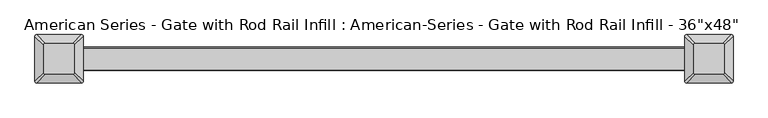
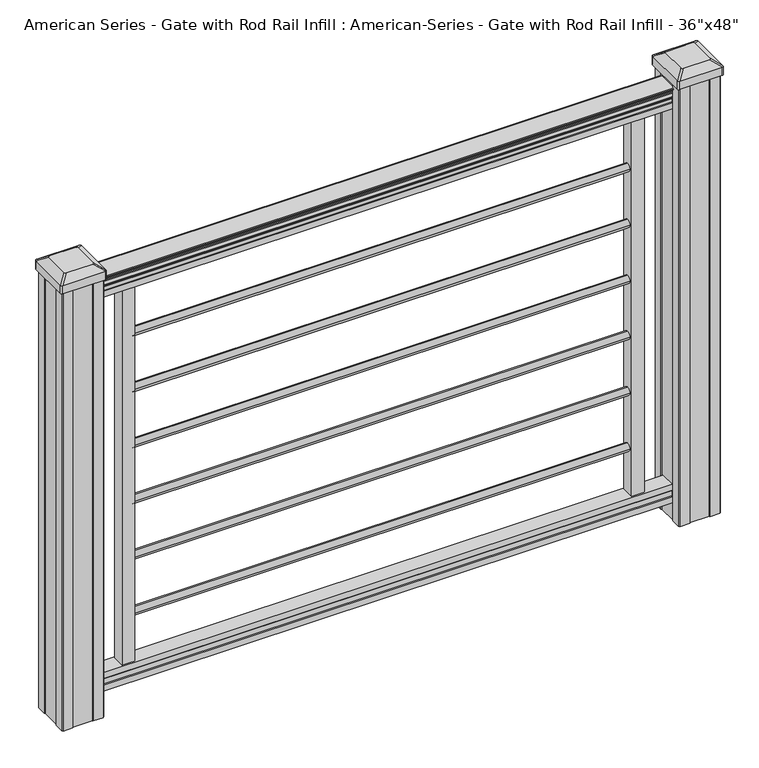
"""IFC4 building model written with IfcOpenShell, lengths in millimetres: proxy geometry."""

from ifc_helpers import new_model, si_unit, point, frame, frame_2d, origin, place, context, project, spatial, polyline, circle_curve, trimmed, segment, composite_curve, outline, extrude, source, transform, mapped, element, save
from ifc_brep_helpers import plane_surface, extruded_surface, advanced_brep


def proxy_48d24343(model_context):
    return source(origin(), model_context, "Body", "SolidModel", [
        extrude(outline(composite_curve([segment(trimmed(circle_curve(frame_2d((0.0, 782.1888781)), 8.001), [point((8.001, 782.1888781))], [point((0.0, 774.1878781))], False, "CARTESIAN"), True, "CONTINUOUS"), segment(trimmed(circle_curve(frame_2d((0.0, 782.1888781)), 8.001), [point((0.0, 774.1878781))], [point((-8.001, 782.1888781))], False, "CARTESIAN"), True, "CONTINUOUS"), segment(trimmed(circle_curve(frame_2d((0.0, 782.1888781)), 8.001), [point((-8.001, 782.1888781))], [point((0.0, 790.1898781))], False, "CARTESIAN"), True, "CONTINUOUS"), segment(trimmed(circle_curve(frame_2d((0.0, 782.1888781)), 8.001), [point((0.0, 790.1898781))], [point((8.001, 782.1888781))], False, "CARTESIAN"), True, "CONTINUOUS")], self_intersect=False)), frame((-490.728, 0.0, 0.0), z_axis=(1.0, 0.0, 0.0), x_axis=(0.0, 1.0, 0.0)), (0.0, 0.0, 1.0), 981.456),
        extrude(outline(composite_curve([segment(trimmed(circle_curve(frame_2d((0.0, 665.3488781)), 8.001), [point((8.001, 665.3488781))], [point((0.0, 657.3478781))], False, "CARTESIAN"), True, "CONTINUOUS"), segment(trimmed(circle_curve(frame_2d((0.0, 665.3488781)), 8.001), [point((0.0, 657.3478781))], [point((-8.001, 665.3488781))], False, "CARTESIAN"), True, "CONTINUOUS"), segment(trimmed(circle_curve(frame_2d((0.0, 665.3488781)), 8.001), [point((-8.001, 665.3488781))], [point((0.0, 673.3498781))], False, "CARTESIAN"), True, "CONTINUOUS"), segment(trimmed(circle_curve(frame_2d((0.0, 665.3488781)), 8.001), [point((0.0, 673.3498781))], [point((8.001, 665.3488781))], False, "CARTESIAN"), True, "CONTINUOUS")], self_intersect=False)), frame((-490.728, 0.0, 0.0), z_axis=(1.0, 0.0, 0.0), x_axis=(0.0, 1.0, 0.0)), (0.0, 0.0, 1.0), 981.456),
        extrude(outline(composite_curve([segment(trimmed(circle_curve(frame_2d((0.0, 548.5088781)), 8.001), [point((8.001, 548.5088781))], [point((0.0, 540.5078781))], False, "CARTESIAN"), True, "CONTINUOUS"), segment(trimmed(circle_curve(frame_2d((0.0, 548.5088781)), 8.001), [point((0.0, 540.5078781))], [point((-8.001, 548.5088781))], False, "CARTESIAN"), True, "CONTINUOUS"), segment(trimmed(circle_curve(frame_2d((0.0, 548.5088781)), 8.001), [point((-8.001, 548.5088781))], [point((0.0, 556.5098781))], False, "CARTESIAN"), True, "CONTINUOUS"), segment(trimmed(circle_curve(frame_2d((0.0, 548.5088781)), 8.001), [point((0.0, 556.5098781))], [point((8.001, 548.5088781))], False, "CARTESIAN"), True, "CONTINUOUS")], self_intersect=False)), frame((-490.728, 0.0, 0.0), z_axis=(1.0, 0.0, 0.0), x_axis=(0.0, 1.0, 0.0)), (0.0, 0.0, 1.0), 981.456),
        extrude(outline(composite_curve([segment(trimmed(circle_curve(frame_2d((0.0, 431.6688781)), 8.001), [point((8.001, 431.6688781))], [point((0.0, 423.6678781))], False, "CARTESIAN"), True, "CONTINUOUS"), segment(trimmed(circle_curve(frame_2d((0.0, 431.6688781)), 8.001), [point((0.0, 423.6678781))], [point((-8.001, 431.6688781))], False, "CARTESIAN"), True, "CONTINUOUS"), segment(trimmed(circle_curve(frame_2d((0.0, 431.6688781)), 8.001), [point((-8.001, 431.6688781))], [point((0.0, 439.6698781))], False, "CARTESIAN"), True, "CONTINUOUS"), segment(trimmed(circle_curve(frame_2d((0.0, 431.6688781)), 8.001), [point((0.0, 439.6698781))], [point((8.001, 431.6688781))], False, "CARTESIAN"), True, "CONTINUOUS")], self_intersect=False)), frame((-490.728, 0.0, 0.0), z_axis=(1.0, 0.0, 0.0), x_axis=(0.0, 1.0, 0.0)), (0.0, 0.0, 1.0), 981.456),
        extrude(outline(composite_curve([segment(trimmed(circle_curve(frame_2d((0.0, 314.8288781)), 8.001), [point((8.001, 314.8288781))], [point((0.0, 306.8278781))], False, "CARTESIAN"), True, "CONTINUOUS"), segment(trimmed(circle_curve(frame_2d((0.0, 314.8288781)), 8.001), [point((0.0, 306.8278781))], [point((-8.001, 314.8288781))], False, "CARTESIAN"), True, "CONTINUOUS"), segment(trimmed(circle_curve(frame_2d((0.0, 314.8288781)), 8.001), [point((-8.001, 314.8288781))], [point((0.0, 322.8298781))], False, "CARTESIAN"), True, "CONTINUOUS"), segment(trimmed(circle_curve(frame_2d((0.0, 314.8288781)), 8.001), [point((0.0, 322.8298781))], [point((8.001, 314.8288781))], False, "CARTESIAN"), True, "CONTINUOUS")], self_intersect=False)), frame((-490.728, 0.0, 0.0), z_axis=(1.0, 0.0, 0.0), x_axis=(0.0, 1.0, 0.0)), (0.0, 0.0, 1.0), 981.456),
        extrude(outline(polyline([(-15.9124869, 76.0541976), (-14.8964869, 77.3546183), (-14.8964869, 87.7141717), (-15.9124869, 89.0624492), (-15.9124869, 101.5958781), (15.8375131, 101.5958781), (15.8375131, 89.0458024), (14.8215131, 87.6975248), (14.8215131, 77.3858283), (15.8375131, 76.0375508), (15.8375131, 63.5), (-15.9124869, 63.5), (-15.9124869, 76.0541976)])), frame((-569.976, 0.0, 0.0), z_axis=(1.0, 0.0, 0.0), x_axis=(0.0, 1.0, 0.0)), (0.0, 0.0, 1.0), 1139.952),
        extrude(outline(composite_curve([segment(polyline([(910.082, 17.4328287), (911.9700823, 17.4328287)]), True, "CONTINUOUS"), segment(trimmed(circle_curve(frame_2d((917.7283086, 11.1180755)), 8.545951), [point((911.9700823, 17.4328287))], [point((913.5323398, 18.563015))], False, "CARTESIAN"), True, "CONTINUOUS"), segment(trimmed(circle_curve(frame_2d((917.141328, 11.5551384)), 7.882584), [point((913.5323398, 18.563015))], [point((920.7503161, 18.563015))], False, "CARTESIAN"), True, "CONTINUOUS"), segment(trimmed(circle_curve(frame_2d((922.988923, 22.0684625)), 4.1592695), [point((920.7503161, 18.563015))], [point((923.1837515, 17.9137586))], True, "CARTESIAN"), True, "CONTINUOUS"), segment(trimmed(circle_curve(frame_2d((922.9285567, 23.3557691)), 5.4479907), [point((923.1837515, 17.9137586))], [point((927.5138786, 20.4137586))], True, "CARTESIAN"), True, "CONTINUOUS"), segment(trimmed(circle_curve(frame_2d((927.5110653, 22.1226107)), 1.7088543), [point((927.5138786, 20.4137586))], [point((929.1934675, 21.8231011))], True, "CARTESIAN"), True, "CONTINUOUS"), segment(trimmed(circle_curve(frame_2d((930.2982021, 20.5057106)), 1.7192895), [point((929.1934675, 21.8231011))], [point((930.2982021, 22.2250001))], False, "CARTESIAN"), True, "CONTINUOUS"), segment(polyline([(930.2982021, 22.2250001), (931.6384861, 22.225)]), True, "CONTINUOUS"), segment(trimmed(circle_curve(frame_2d((931.6384861, 20.6715528)), 1.5534472), [point((931.6384861, 22.225))], [point((933.1919333, 20.6715528))], False, "CARTESIAN"), True, "CONTINUOUS"), segment(polyline([(933.1919333, 20.6715528), (933.1919333, -20.6715528)]), True, "CONTINUOUS"), segment(trimmed(circle_curve(frame_2d((931.6384861, -20.6715528)), 1.5534472), [point((933.1919333, -20.6715528))], [point((931.6384861, -22.225))], False, "CARTESIAN"), True, "CONTINUOUS"), segment(polyline([(931.6384861, -22.225), (930.2982021, -22.225)]), True, "CONTINUOUS"), segment(trimmed(circle_curve(frame_2d((930.2982021, -20.5057106)), 1.7192895), [point((930.2982021, -22.225))], [point((929.1934675, -21.8231011))], False, "CARTESIAN"), True, "CONTINUOUS"), segment(trimmed(circle_curve(frame_2d((927.5110653, -22.1226107)), 1.7088543), [point((929.1934675, -21.8231011))], [point((927.5138786, -20.4137586))], True, "CARTESIAN"), True, "CONTINUOUS"), segment(trimmed(circle_curve(frame_2d((922.9285567, -23.3557691)), 5.4479907), [point((927.5138786, -20.4137586))], [point((923.1837515, -17.9137586))], True, "CARTESIAN"), True, "CONTINUOUS"), segment(trimmed(circle_curve(frame_2d((922.988923, -22.0684625)), 4.1592695), [point((923.1837515, -17.9137586))], [point((920.7503161, -18.563015))], True, "CARTESIAN"), True, "CONTINUOUS"), segment(trimmed(circle_curve(frame_2d((917.141328, -11.5551384)), 7.882584), [point((920.7503161, -18.563015))], [point((913.5323398, -18.563015))], False, "CARTESIAN"), True, "CONTINUOUS"), segment(trimmed(circle_curve(frame_2d((917.7283086, -11.1180755)), 8.545951), [point((913.5323398, -18.563015))], [point((911.9700823, -17.4328287))], False, "CARTESIAN"), True, "CONTINUOUS"), segment(polyline([(911.9700823, -17.4328287), (910.082, -17.4328287)]), True, "CONTINUOUS"), segment(trimmed(circle_curve(frame_2d((910.082, -16.1459144)), 1.2869144), [point((910.082, -17.4328287))], [point((910.082, -14.859))], False, "CARTESIAN"), True, "CONTINUOUS"), segment(polyline([(910.082, -14.859), (899.5824987, -14.859), (898.5664987, -15.875), (886.0776703, -15.875), (886.0776703, 15.875), (898.4086833, 15.875), (899.4246833, 14.859), (910.082, 14.859)]), True, "CONTINUOUS"), segment(trimmed(circle_curve(frame_2d((910.082, 16.1459144)), 1.2869144), [point((910.082, 14.859))], [point((910.082, 17.4328287))], False, "CARTESIAN"), True, "CONTINUOUS")], self_intersect=False)), frame((569.976, 0.0, 0.0), z_axis=(-1.0, 0.0, 0.0), x_axis=(0.0, 0.0, 1.0)), (0.0, 0.0, 1.0), 1139.952),
        extrude(outline(composite_curve([segment(trimmed(circle_curve(frame_2d((0.0, 197.9888781)), 8.001), [point((8.001, 197.9888781))], [point((0.0, 189.9878781))], False, "CARTESIAN"), True, "CONTINUOUS"), segment(trimmed(circle_curve(frame_2d((0.0, 197.9888781)), 8.001), [point((0.0, 189.9878781))], [point((-8.001, 197.9888781))], False, "CARTESIAN"), True, "CONTINUOUS"), segment(trimmed(circle_curve(frame_2d((0.0, 197.9888781)), 8.001), [point((-8.001, 197.9888781))], [point((0.0, 205.9898781))], False, "CARTESIAN"), True, "CONTINUOUS"), segment(trimmed(circle_curve(frame_2d((0.0, 197.9888781)), 8.001), [point((0.0, 205.9898781))], [point((8.001, 197.9888781))], False, "CARTESIAN"), True, "CONTINUOUS")], self_intersect=False)), frame((-490.728, 0.0, 0.0), z_axis=(1.0, 0.0, 0.0), x_axis=(0.0, 1.0, 0.0)), (0.0, 0.0, 1.0), 981.456),
        advanced_brep(
        [(583.803125, 28.971875, 973.455), (580.628125, 25.796875, 973.455), (580.628125, -25.796875, 973.455), (583.803125, -28.971875, 973.455), (635.396875, -28.971875, 973.455), (638.571875, -25.796875, 973.455), (638.571875, 25.796875, 973.455), (635.396875, 28.971875, 973.455), (567.53125, 45.24375, 962.152), (651.66875, 45.24375, 962.152), (654.84375, 42.06875, 962.152), (654.84375, -42.06875, 962.152), (651.66875, -45.24375, 962.152), (567.53125, -45.24375, 962.152), (564.35625, -42.06875, 962.152), (564.35625, 42.06875, 962.152)],
        [
            (0, 1, circle_curve(frame((583.803125, 25.796875, 973.455), z_axis=(0.0, 0.0, 1.0), x_axis=(0.0, -1.0, 0.0)), 3.175)),
            (1, 2),
            (2, 3, circle_curve(frame((583.803125, -25.796875, 973.455), z_axis=(0.0, 0.0, 1.0), x_axis=(0.0, -1.0, 0.0)), 3.175)),
            (3, 4),
            (4, 5, circle_curve(frame((635.396875, -25.796875, 973.455), z_axis=(0.0, 0.0, 1.0), x_axis=(0.0, -1.0, 0.0)), 3.175)),
            (5, 6),
            (6, 7, circle_curve(frame((635.396875, 25.796875, 973.455), z_axis=(0.0, 0.0, 1.0), x_axis=(0.0, -1.0, 0.0)), 3.175)),
            (7, 0),
            (8, 9),
            (9, 10, circle_curve(frame((651.66875, 42.06875, 962.152), z_axis=(0.0, 0.0, -1.0), x_axis=(0.0, -1.0, 0.0)), 3.175)),
            (10, 11),
            (11, 12, circle_curve(frame((651.66875, -42.06875, 962.152), z_axis=(0.0, 0.0, -1.0), x_axis=(0.0, -1.0, 0.0)), 3.175)),
            (12, 13),
            (13, 14, circle_curve(frame((567.53125, -42.06875, 962.152), z_axis=(0.0, 0.0, -1.0), x_axis=(0.0, -1.0, 0.0)), 3.175)),
            (14, 15),
            (15, 8, circle_curve(frame((567.53125, 42.06875, 962.152), z_axis=(0.0, 0.0, -1.0), x_axis=(0.0, -1.0, 0.0)), 3.175)),
            (15, 1),
            (0, 8),
            (14, 2),
            (13, 3),
            (12, 4),
            (11, 5),
            (10, 6),
            (9, 7),
        ],
        [
            plane_surface(frame((609.6, 0.0, 973.455), z_axis=(0.0, 0.0, 1.0), x_axis=(-1.0, 0.0, 0.0))),
            plane_surface(frame((609.6, 0.0, 962.152), z_axis=(0.0, 0.0, -1.0), x_axis=(-1.0, 0.0, 0.0))),
            extruded_surface(trimmed(circle_curve(frame((567.53125, 42.06875, 962.152), z_axis=(0.0, 0.0, 1.0), x_axis=(0.0, -1.0, 0.0)), 3.175), [point((567.53125, 45.24375, 962.152))], [point((564.35625, 42.06875, 962.152))], True, "CARTESIAN"), (16.271875000000023, -16.271875, 11.302999999999997), 25.637972638866177),
            plane_surface(frame((564.35625, 0.0, 962.152), z_axis=(-0.5705009161540778, 0.0, 0.8212969649690408), x_axis=(0.0, -1.0, 0.0))),
            extruded_surface(trimmed(circle_curve(frame((567.53125, -42.06875, 962.152), z_axis=(0.0, 0.0, 1.0), x_axis=(0.0, -1.0, 0.0)), 3.175), [point((564.35625, -42.06875, 962.152))], [point((567.53125, -45.24375, 962.152))], True, "CARTESIAN"), (16.271875000000023, 16.271875, 11.302999999999997), 25.637972638866177),
            plane_surface(frame((609.6, -45.24375, 962.152), z_axis=(0.0, -0.5705009161540291, 0.8212969649690747), x_axis=(1.0, 0.0, 0.0))),
            extruded_surface(trimmed(circle_curve(frame((651.66875, -42.06875, 962.152), z_axis=(0.0, 0.0, 1.0), x_axis=(0.0, -1.0, 0.0)), 3.175), [point((651.66875, -45.24375, 962.152))], [point((654.84375, -42.06875, 962.152))], True, "CARTESIAN"), (-16.271875000000023, 16.271875, 11.302999999999997), 25.637972638866177),
            plane_surface(frame((654.84375, 0.0, 962.152), z_axis=(0.5705009161540142, 0.0, 0.8212969649690851), x_axis=(0.0, 1.0, 0.0))),
            extruded_surface(trimmed(circle_curve(frame((651.66875, 42.06875, 962.152), z_axis=(0.0, 0.0, 1.0), x_axis=(0.0, -1.0, 0.0)), 3.175), [point((654.84375, 42.06875, 962.152))], [point((651.66875, 45.24375, 962.152))], True, "CARTESIAN"), (-16.271875000000023, -16.271875, 11.302999999999997), 25.637972638866177),
            plane_surface(frame((609.6, 45.24375, 962.152), z_axis=(0.0, 0.570500916154034, 0.8212969649690713), x_axis=(-1.0, 0.0, 0.0))),
        ],
        [
            (0, [[1, 2, 3, 4, 5, 6, 7, 8]]),
            (1, [[9, 10, 11, 12, 13, 14, 15, 16]]),
            (2, [[-16, 17, -1, 18]]),
            (3, [[-15, 19, -2, -17]]),
            (4, [[-14, 20, -3, -19]]),
            (5, [[-13, 21, -4, -20]]),
            (6, [[-12, 22, -5, -21]]),
            (7, [[-11, 23, -6, -22]]),
            (8, [[-10, 24, -7, -23]]),
            (9, [[-9, -18, -8, -24]]),
        ],
    ),
        extrude(outline(composite_curve([segment(polyline([(567.53125, 45.24375), (651.66875, 45.24375)]), True, "CONTINUOUS"), segment(trimmed(circle_curve(frame_2d((651.66875, 42.06875)), 3.175), [point((651.66875, 45.24375))], [point((654.84375, 42.06875))], False, "CARTESIAN"), True, "CONTINUOUS"), segment(polyline([(654.84375, 42.06875), (654.84375, -42.06875)]), True, "CONTINUOUS"), segment(trimmed(circle_curve(frame_2d((651.66875, -42.06875)), 3.175), [point((654.84375, -42.06875))], [point((651.66875, -45.24375))], False, "CARTESIAN"), True, "CONTINUOUS"), segment(polyline([(651.66875, -45.24375), (567.53125, -45.24375)]), True, "CONTINUOUS"), segment(trimmed(circle_curve(frame_2d((567.53125, -42.06875)), 3.175), [point((567.53125, -45.24375))], [point((564.35625, -42.06875))], False, "CARTESIAN"), True, "CONTINUOUS"), segment(polyline([(564.35625, -42.06875), (564.35625, 42.06875)]), True, "CONTINUOUS"), segment(trimmed(circle_curve(frame_2d((567.53125, 42.06875)), 3.175), [point((564.35625, 42.06875))], [point((567.53125, 45.24375))], False, "CARTESIAN"), True, "CONTINUOUS")], self_intersect=False)), frame((0.0, 0.0, 944.88), z_axis=(0.0, 0.0, 1.0), x_axis=(1.0, 0.0, 0.0)), (0.0, 0.0, 1.0), 17.272),
        extrude(outline(polyline([(569.9125, 41.275), (589.534, 41.275), (590.296, 39.6875), (628.904, 39.6875), (629.666, 41.275), (649.2875, 41.275), (650.875, 39.6875), (650.875, 20.066), (649.2875, 19.304), (649.2875, -19.304), (650.875, -20.066), (650.875, -39.6875), (649.2875, -41.275), (629.666, -41.275), (628.904, -39.6875), (590.296, -39.6875), (589.534, -41.275), (569.9125, -41.275), (568.325, -39.6875), (568.325, -20.066), (569.9125, -19.304), (569.9125, 19.304), (568.325, 20.066), (568.325, 39.6875), (569.9125, 41.275)])), frame((0.0, 0.0, 28.575), z_axis=(0.0, 0.0, 1.0), x_axis=(1.0, 0.0, 0.0)), (0.0, 0.0, 1.0), 916.305),
        advanced_brep(
        [(-635.396875, 28.971875, 973.455), (-638.571875, 25.796875, 973.455), (-638.571875, -25.796875, 973.455), (-635.396875, -28.971875, 973.455), (-583.803125, -28.971875, 973.455), (-580.628125, -25.796875, 973.455), (-580.628125, 25.796875, 973.455), (-583.803125, 28.971875, 973.455), (-651.66875, 45.24375, 962.152), (-567.53125, 45.24375, 962.152), (-564.35625, 42.06875, 962.152), (-564.35625, -42.06875, 962.152), (-567.53125, -45.24375, 962.152), (-651.66875, -45.24375, 962.152), (-654.84375, -42.06875, 962.152), (-654.84375, 42.06875, 962.152)],
        [
            (0, 1, circle_curve(frame((-635.396875, 25.796875, 973.455), z_axis=(0.0, 0.0, 1.0), x_axis=(0.0, -1.0, 0.0)), 3.175)),
            (1, 2),
            (2, 3, circle_curve(frame((-635.396875, -25.796875, 973.455), z_axis=(0.0, 0.0, 1.0), x_axis=(0.0, -1.0, 0.0)), 3.175)),
            (3, 4),
            (4, 5, circle_curve(frame((-583.803125, -25.796875, 973.455), z_axis=(0.0, 0.0, 1.0), x_axis=(0.0, -1.0, 0.0)), 3.175)),
            (5, 6),
            (6, 7, circle_curve(frame((-583.803125, 25.796875, 973.455), z_axis=(0.0, 0.0, 1.0), x_axis=(0.0, -1.0, 0.0)), 3.175)),
            (7, 0),
            (8, 9),
            (9, 10, circle_curve(frame((-567.53125, 42.06875, 962.152), z_axis=(0.0, 0.0, -1.0), x_axis=(0.0, -1.0, 0.0)), 3.175)),
            (10, 11),
            (11, 12, circle_curve(frame((-567.53125, -42.06875, 962.152), z_axis=(0.0, 0.0, -1.0), x_axis=(0.0, -1.0, 0.0)), 3.175)),
            (12, 13),
            (13, 14, circle_curve(frame((-651.66875, -42.06875, 962.152), z_axis=(0.0, 0.0, -1.0), x_axis=(0.0, -1.0, 0.0)), 3.175)),
            (14, 15),
            (15, 8, circle_curve(frame((-651.66875, 42.06875, 962.152), z_axis=(0.0, 0.0, -1.0), x_axis=(0.0, -1.0, 0.0)), 3.175)),
            (15, 1),
            (0, 8),
            (14, 2),
            (13, 3),
            (12, 4),
            (11, 5),
            (10, 6),
            (9, 7),
        ],
        [
            plane_surface(frame((-609.6, 0.0, 973.455), z_axis=(0.0, 0.0, 1.0), x_axis=(-1.0, 0.0, 0.0))),
            plane_surface(frame((-609.6, 0.0, 962.152), z_axis=(0.0, 0.0, -1.0), x_axis=(-1.0, 0.0, 0.0))),
            extruded_surface(trimmed(circle_curve(frame((-651.66875, 42.06875, 962.152), z_axis=(0.0, 0.0, 1.0), x_axis=(0.0, -1.0, 0.0)), 3.175), [point((-651.66875, 45.24375, 962.152))], [point((-654.84375, 42.06875, 962.152))], True, "CARTESIAN"), (16.271875000000023, -16.271875, 11.302999999999997), 25.637972638866177),
            plane_surface(frame((-654.84375, 0.0, 962.152), z_axis=(-0.5705009161540778, 0.0, 0.8212969649690408), x_axis=(0.0, -1.0, 0.0))),
            extruded_surface(trimmed(circle_curve(frame((-651.66875, -42.06875, 962.152), z_axis=(0.0, 0.0, 1.0), x_axis=(0.0, -1.0, 0.0)), 3.175), [point((-654.84375, -42.06875, 962.152))], [point((-651.66875, -45.24375, 962.152))], True, "CARTESIAN"), (16.271875000000023, 16.271875, 11.302999999999997), 25.637972638866177),
            plane_surface(frame((-609.6, -45.24375, 962.152), z_axis=(0.0, -0.5705009161540291, 0.8212969649690747), x_axis=(1.0, 0.0, 0.0))),
            extruded_surface(trimmed(circle_curve(frame((-567.53125, -42.06875, 962.152), z_axis=(0.0, 0.0, 1.0), x_axis=(0.0, -1.0, 0.0)), 3.175), [point((-567.53125, -45.24375, 962.152))], [point((-564.35625, -42.06875, 962.152))], True, "CARTESIAN"), (-16.271875000000023, 16.271875, 11.302999999999997), 25.637972638866177),
            plane_surface(frame((-564.35625, 0.0, 962.152), z_axis=(0.5705009161540142, 0.0, 0.8212969649690851), x_axis=(0.0, 1.0, 0.0))),
            extruded_surface(trimmed(circle_curve(frame((-567.53125, 42.06875, 962.152), z_axis=(0.0, 0.0, 1.0), x_axis=(0.0, -1.0, 0.0)), 3.175), [point((-564.35625, 42.06875, 962.152))], [point((-567.53125, 45.24375, 962.152))], True, "CARTESIAN"), (-16.271875000000023, -16.271875, 11.302999999999997), 25.637972638866177),
            plane_surface(frame((-609.6, 45.24375, 962.152), z_axis=(0.0, 0.570500916154034, 0.8212969649690713), x_axis=(-1.0, 0.0, 0.0))),
        ],
        [
            (0, [[1, 2, 3, 4, 5, 6, 7, 8]]),
            (1, [[9, 10, 11, 12, 13, 14, 15, 16]]),
            (2, [[-16, 17, -1, 18]]),
            (3, [[-15, 19, -2, -17]]),
            (4, [[-14, 20, -3, -19]]),
            (5, [[-13, 21, -4, -20]]),
            (6, [[-12, 22, -5, -21]]),
            (7, [[-11, 23, -6, -22]]),
            (8, [[-10, 24, -7, -23]]),
            (9, [[-9, -18, -8, -24]]),
        ],
    ),
        extrude(outline(composite_curve([segment(polyline([(-651.66875, 45.24375), (-567.53125, 45.24375)]), True, "CONTINUOUS"), segment(trimmed(circle_curve(frame_2d((-567.53125, 42.06875)), 3.175), [point((-567.53125, 45.24375))], [point((-564.35625, 42.06875))], False, "CARTESIAN"), True, "CONTINUOUS"), segment(polyline([(-564.35625, 42.06875), (-564.35625, -42.06875)]), True, "CONTINUOUS"), segment(trimmed(circle_curve(frame_2d((-567.53125, -42.06875)), 3.175), [point((-564.35625, -42.06875))], [point((-567.53125, -45.24375))], False, "CARTESIAN"), True, "CONTINUOUS"), segment(polyline([(-567.53125, -45.24375), (-651.66875, -45.24375)]), True, "CONTINUOUS"), segment(trimmed(circle_curve(frame_2d((-651.66875, -42.06875)), 3.175), [point((-651.66875, -45.24375))], [point((-654.84375, -42.06875))], False, "CARTESIAN"), True, "CONTINUOUS"), segment(polyline([(-654.84375, -42.06875), (-654.84375, 42.06875)]), True, "CONTINUOUS"), segment(trimmed(circle_curve(frame_2d((-651.66875, 42.06875)), 3.175), [point((-654.84375, 42.06875))], [point((-651.66875, 45.24375))], False, "CARTESIAN"), True, "CONTINUOUS")], self_intersect=False)), frame((0.0, 0.0, 944.88), z_axis=(0.0, 0.0, 1.0), x_axis=(1.0, 0.0, 0.0)), (0.0, 0.0, 1.0), 17.272),
        extrude(outline(polyline([(-649.2875, 41.275), (-629.666, 41.275), (-628.904, 39.6875), (-590.296, 39.6875), (-589.534, 41.275), (-569.9125, 41.275), (-568.325, 39.6875), (-568.325, 20.066), (-569.9125, 19.304), (-569.9125, -19.304), (-568.325, -20.066), (-568.325, -39.6875), (-569.9125, -41.275), (-589.534, -41.275), (-590.296, -39.6875), (-628.904, -39.6875), (-629.666, -41.275), (-649.2875, -41.275), (-650.875, -39.6875), (-650.875, -20.066), (-649.2875, -19.304), (-649.2875, 19.304), (-650.875, 20.066), (-650.875, 39.6875), (-649.2875, 41.275)])), frame((0.0, 0.0, 28.575), z_axis=(0.0, 0.0, 1.0), x_axis=(1.0, 0.0, 0.0)), (0.0, 0.0, 1.0), 916.305),
        extrude(outline(polyline([(516.128, -12.7), (490.728, -12.7), (490.728, 12.7), (516.128, 12.7), (516.128, -12.7)])), frame((0.0, 0.0, 101.6), z_axis=(0.0, 0.0, 1.0), x_axis=(1.0, 0.0, 0.0)), (0.0, 0.0, 1.0), 805.2900823),
        extrude(outline(polyline([(-490.728, -12.7), (-516.128, -12.7), (-516.128, 12.7), (-490.728, 12.7), (-490.728, -12.7)])), frame((0.0, 0.0, 101.6), z_axis=(0.0, 0.0, 1.0), x_axis=(1.0, 0.0, 0.0)), (0.0, 0.0, 1.0), 811.9323398),
    ])


if __name__ == "__main__":
    model = new_model("IFC4")
    model_context = context("Model", 3, world=origin())
    ifc_project = project(units=[si_unit("LENGTHUNIT", "METRE", prefix="MILLI")], contexts=[model_context])
    site = spatial("IfcSite", under=ifc_project)
    building = spatial("IfcBuilding", under=site)
    placement = place(None, origin())
    proxy_shape = proxy_48d24343(model_context)
    element("IfcBuildingElementProxy", 1, Name="American Series - Gate with Rod Rail Infill : American-Series - Gate with Rod Rail Infill - 36\"x48\"", ObjectType="American Series - Gate with Rod Rail Infill : American-Series - Gate with Rod Rail Infill - 36\"x48\"", at=placement, inside=building, context=model_context, shape_type="MappedRepresentation", body=[
        mapped(proxy_shape, transform((0.0, 0.0, 0.0), x_axis=(1.0, 0.0, 0.0), y_axis=(0.0, 1.0, 0.0), z_axis=(0.0, 0.0, 1.0))),
    ])
    save(model, "model.ifc")
